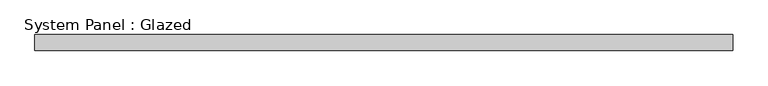
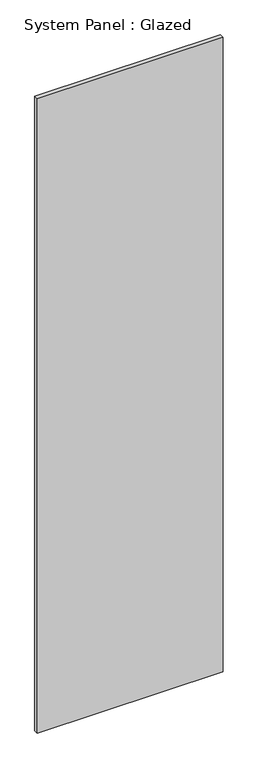
"""IFC4 building model written with IfcOpenShell, lengths in millimetres: plate geometry, System Panel : Glazed."""

from ifc_helpers import new_model, si_unit, origin, origin_with_axes, place, context, project, spatial, polyline, outline, extrude, source, transform, mapped, element, save


def system_panel_glazed_18ca2362(model_context):
    return source(origin(), model_context, "Body", "SweptSolid", [
        extrude(outline(polyline([(554.2499998, 24.5), (-554.2499998, 24.5), (-554.2499998, 49.5), (554.2499998, 49.5), (554.2499998, 24.5)])), origin_with_axes(), (0.0, 0.0, 1.0), 4000.0),
    ])


if __name__ == "__main__":
    model = new_model("IFC4")
    model_context = context("Model", 3, world=origin())
    ifc_project = project(units=[si_unit("LENGTHUNIT", "METRE", prefix="MILLI")], contexts=[model_context])
    site = spatial("IfcSite", under=ifc_project)
    building = spatial("IfcBuilding", under=site)
    placement = place(None, origin())
    system_panel_glazed_shape = system_panel_glazed_18ca2362(model_context)
    element("IfcPlate", 1, ObjectType="System Panel : Glazed", at=placement, inside=building, context=model_context, shape_type="MappedRepresentation", body=[
        mapped(system_panel_glazed_shape, transform((0.0, 0.0, 0.0), x_axis=(1.0, 0.0, 0.0), y_axis=(0.0, 1.0, 0.0), z_axis=(0.0, 0.0, 1.0))),
    ])
    save(model, "model.ifc")
